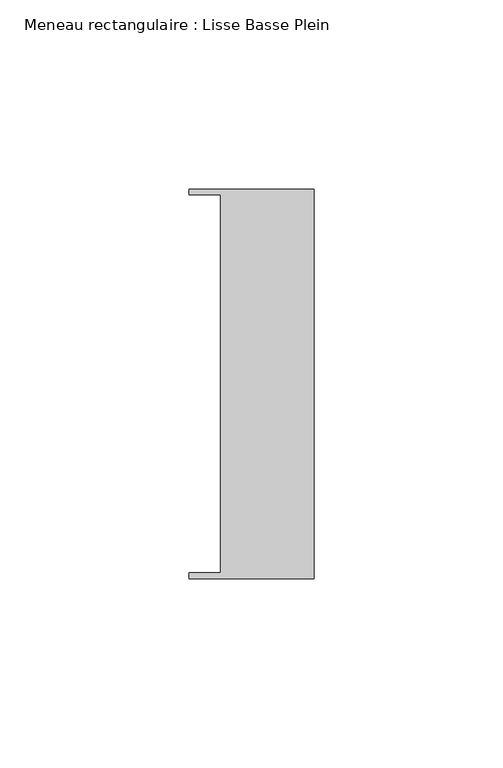
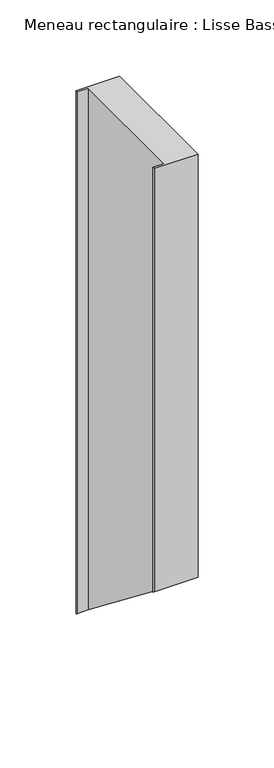
"""IFC4 building model written with IfcOpenShell, lengths in millimetres: member geometry, Meneau rectangulaire : Lisse Basse Plein."""

from ifc_helpers import new_model, si_unit, origin, place, context, project, spatial, faceted_brep, source, transform, mapped, element, save


def meneau_rectangulaire_lisse_basse_plein_49c4277f(model_context):
    return source(origin(), model_context, "Body", "Brep", [
        faceted_brep([(0.0, -51.5026203, 0.0), (0.0, 51.5026203, 0.0), (-33.0710396, 51.5026203, 0.0), (-33.0710396, 49.9505686, 0.0), (-24.7130865, 49.9505686, 0.0), (-24.7130865, -49.9505686, 0.0), (-33.0710396, -49.9505686, 0.0), (-33.0710396, -51.5026203, 0.0), (0.0, -51.5026203, -339.3037966), (0.0, 51.5026203, -419.6189663), (-33.0710396, 51.5026203, -419.6189663), (-33.0710396, 49.9505686, -418.4088017), (-24.7130865, 49.9505686, -418.4088017), (-24.7130865, -49.9505686, -340.5139612), (-33.0710396, -49.9505686, -340.5139612), (-33.0710396, -51.5026203, -339.3037966)], [[[0, 1, 2, 3, 4, 5, 6, 7]], [[1, 0, 8, 9]], [[2, 1, 9, 10]], [[3, 2, 10, 11]], [[4, 3, 11, 12]], [[5, 4, 12, 13]], [[6, 5, 13, 14]], [[7, 6, 14, 15]], [[0, 7, 15, 8]], [[8, 15, 14, 13, 12, 11, 10, 9]]]),
    ])


if __name__ == "__main__":
    model = new_model("IFC4")
    model_context = context("Model", 3, world=origin())
    ifc_project = project(units=[si_unit("LENGTHUNIT", "METRE", prefix="MILLI")], contexts=[model_context])
    site = spatial("IfcSite", under=ifc_project)
    building = spatial("IfcBuilding", under=site)
    placement = place(None, origin())
    meneau_rectangulaire_lisse_basse_plein_shape = meneau_rectangulaire_lisse_basse_plein_49c4277f(model_context)
    element("IfcMember", 1, ObjectType="Meneau rectangulaire : Lisse Basse Plein", at=placement, inside=building, context=model_context, shape_type="MappedRepresentation", body=[
        mapped(meneau_rectangulaire_lisse_basse_plein_shape, transform((0.0, 0.0, 0.0), x_axis=(1.0, 0.0, 0.0), y_axis=(0.0, 1.0, 0.0), z_axis=(0.0, 0.0, 1.0))),
    ])
    save(model, "model.ifc")
